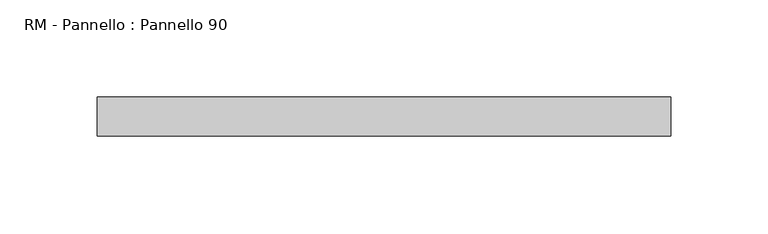
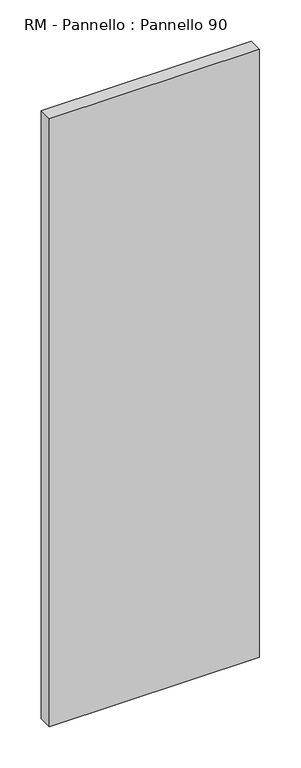
"""IFC4 building model written with IfcOpenShell, lengths in millimetres: plate geometry, RM - Pannello : Pannello 90."""

from ifc_helpers import new_model, si_unit, origin, origin_with_axes, place, context, project, spatial, polyline, outline, extrude, source, transform, mapped, element, save


def rm_pannello_pannello_90_d95d1955(model_context):
    return source(origin(), model_context, "Body", "SweptSolid", [
        extrude(outline(polyline([(147.0, 200.0), (147.0, 180.0), (-147.0, 180.0), (-147.0, 200.0), (147.0, 200.0)])), origin_with_axes(), (0.0, 0.0, 1.0), 900.0),
    ])


if __name__ == "__main__":
    model = new_model("IFC4")
    model_context = context("Model", 3, world=origin())
    ifc_project = project(units=[si_unit("LENGTHUNIT", "METRE", prefix="MILLI")], contexts=[model_context])
    site = spatial("IfcSite", under=ifc_project)
    building = spatial("IfcBuilding", under=site)
    placement = place(None, origin())
    rm_pannello_pannello_90_shape = rm_pannello_pannello_90_d95d1955(model_context)
    element("IfcPlate", 1, ObjectType="RM - Pannello : Pannello 90", at=placement, inside=building, context=model_context, shape_type="MappedRepresentation", body=[
        mapped(rm_pannello_pannello_90_shape, transform((0.0, 0.0, 0.0), x_axis=(1.0, 0.0, 0.0), y_axis=(0.0, 1.0, 0.0), z_axis=(0.0, 0.0, 1.0))),
    ])
    save(model, "model.ifc")
